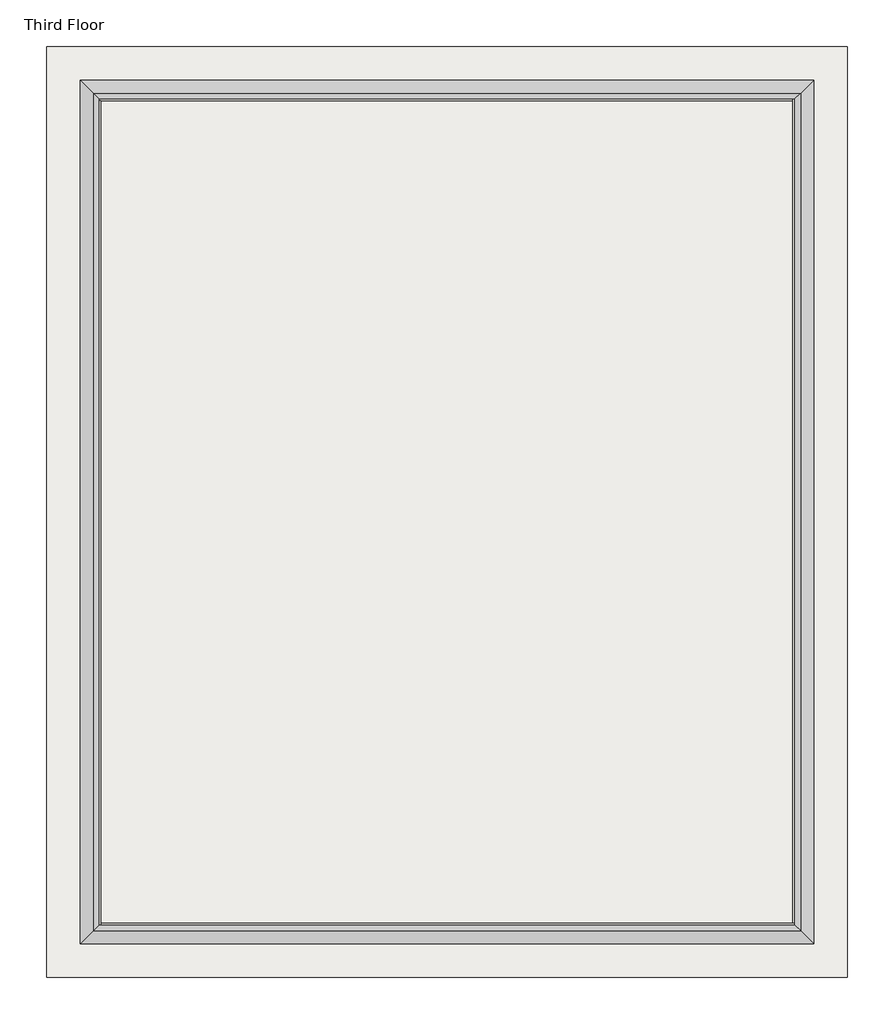
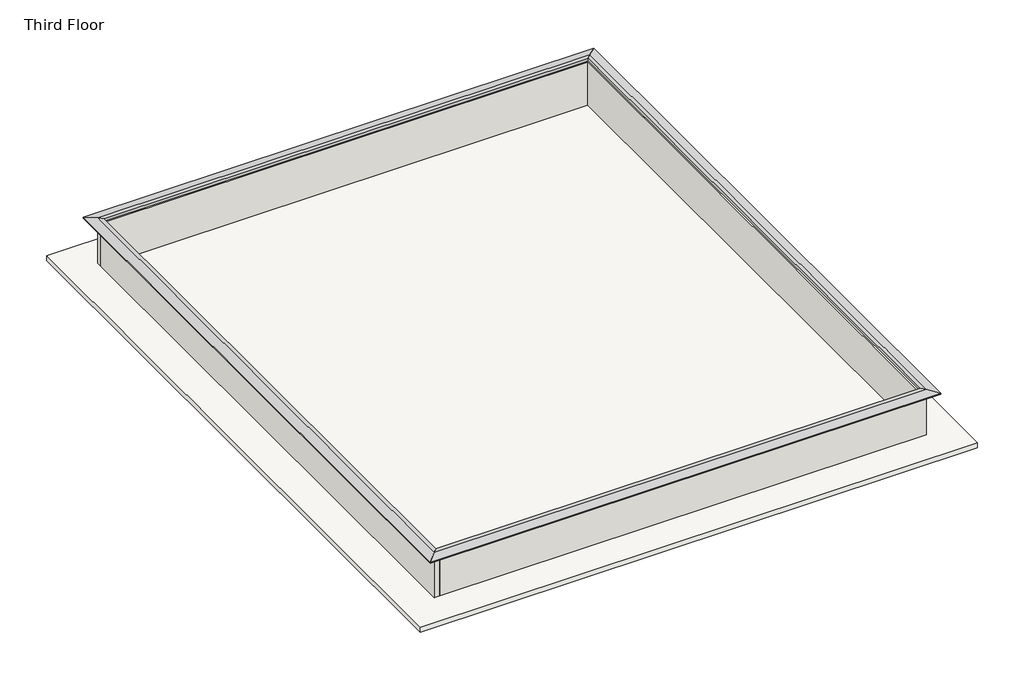
# One storey: 4 proxies, 4 walls, 1 slab.
"""IFC4 building model written with IfcOpenShell, lengths in millimetres."""

from ifc_helpers import new_model, si_unit, frame, origin, place, context, project, spatial, polyline, outline, extrude, faceted_brep, element, save

model = new_model("IFC4")

# Units and contexts
model_context = context("Model", 3, world=origin())
ifc_project = project(units=[si_unit("LENGTHUNIT", "METRE", prefix="MILLI")], contexts=[model_context])

# Site, building, storey
site = spatial("IfcSite", under=ifc_project)
building = spatial("IfcBuilding", under=site)
storey = spatial("IfcBuildingStorey", under=building, Name="Third Floor", Elevation=8610.6)

# Proxies
placement = place(None, origin())
element("IfcBuildingElementProxy", 1, Name="Wall Sweeps", at=placement, inside=storey, context=model_context, shape_type="Brep", body=[
    faceted_brep([(3101.8159002, -1567.6864294, 9747.25), (3009.7409002, -1475.6114294, 9747.25), (2797.0159002, -1262.8864294, 9702.8), (2797.0159002, -1262.8864294, 9677.4), (3101.8159002, -1567.6864294, 9677.4), (14500.0659002, -1567.6864294, 9747.25), (14500.0659002, -1567.6864294, 9677.4), (14804.8659002, -1262.8864294, 9677.4), (14804.8659002, -1262.8864294, 9702.8), (14592.1409002, -1475.6114294, 9747.25)], [[[0, 1, 2, 3, 4]], [[5, 6, 7, 8, 9]], [[1, 0, 5, 9]], [[2, 1, 9, 8]], [[3, 2, 8, 7]], [[4, 3, 7, 6]], [[0, 4, 6, 5]]]),
])
element("IfcBuildingElementProxy", 2, Name="Wall Sweeps", at=placement, inside=storey, context=model_context, shape_type="Brep", body=[
    faceted_brep([(3101.8159002, -15099.5364294, 9747.25), (3009.7409002, -15191.6114294, 9747.25), (2797.0159002, -15404.3364294, 9702.8), (2797.0159002, -15404.3364294, 9677.4), (3101.8159002, -15099.5364294, 9677.4), (3101.8159002, -1567.6864294, 9747.25), (3101.8159002, -1567.6864294, 9677.4), (2797.0159002, -1262.8864294, 9677.4), (2797.0159002, -1262.8864294, 9702.8), (3009.7409002, -1475.6114294, 9747.25)], [[[0, 1, 2, 3, 4]], [[5, 6, 7, 8, 9]], [[1, 0, 5, 9]], [[2, 1, 9, 8]], [[3, 2, 8, 7]], [[4, 3, 7, 6]], [[0, 4, 6, 5]]]),
])
element("IfcBuildingElementProxy", 3, Name="Wall Sweeps", at=placement, inside=storey, context=model_context, shape_type="Brep", body=[
    faceted_brep([(14500.0659002, -15099.5364294, 9747.25), (14592.1409002, -15191.6114294, 9747.25), (14804.8659002, -15404.3364294, 9702.8), (14804.8659002, -15404.3364294, 9677.4), (14500.0659002, -15099.5364294, 9677.4), (3101.8159002, -15099.5364294, 9747.25), (3101.8159002, -15099.5364294, 9677.4), (2797.0159002, -15404.3364294, 9677.4), (2797.0159002, -15404.3364294, 9702.8), (3009.7409002, -15191.6114294, 9747.25)], [[[0, 1, 2, 3, 4]], [[5, 6, 7, 8, 9]], [[1, 0, 5, 9]], [[2, 1, 9, 8]], [[3, 2, 8, 7]], [[4, 3, 7, 6]], [[0, 4, 6, 5]]]),
])
element("IfcBuildingElementProxy", 4, Name="Wall Sweeps", at=placement, inside=storey, context=model_context, shape_type="Brep", body=[
    faceted_brep([(14500.0659002, -1567.6864294, 9747.25), (14592.1409002, -1475.6114294, 9747.25), (14804.8659002, -1262.8864294, 9702.8), (14804.8659002, -1262.8864294, 9677.4), (14500.0659002, -1567.6864294, 9677.4), (14500.0659002, -15099.5364294, 9747.25), (14500.0659002, -15099.5364294, 9677.4), (14804.8659002, -15404.3364294, 9677.4), (14804.8659002, -15404.3364294, 9702.8), (14592.1409002, -15191.6114294, 9747.25)], [[[0, 1, 2, 3, 4]], [[5, 6, 7, 8, 9]], [[1, 0, 5, 9]], [[2, 1, 9, 8]], [[3, 2, 8, 7]], [[4, 3, 7, 6]], [[0, 4, 6, 5]]]),
])

# Slab
element("IfcSlab", 5, ObjectType="5\" Slab", at=placement, inside=storey, context=model_context, shape_type="SweptSolid", body=[
    extrude(outline(polyline([(15354.1409002, -713.6114294), (15354.1409002, -15953.6114294), (2247.7409002, -15953.6114294), (2247.7409002, -713.6114294), (15354.1409002, -713.6114294)])), frame((0.0, 0.0, 8483.6), z_axis=(0.0, 0.0, 1.0), x_axis=(1.0, 0.0, 0.0)), (0.0, 0.0, 1.0), 127.0),
])

# Walls
element("IfcWall", 6, ObjectType="Parapet Wall", at=placement, inside=storey, context=model_context, shape_type="Brep", body=[
    faceted_brep([(3009.7409002, -1602.6114294, 8610.6), (3136.7409002, -1602.6114294, 8610.6), (14465.1409002, -1602.6114294, 8610.6), (14465.1409002, -1602.6114294, 9677.4), (3136.7409002, -1602.6114294, 9677.4), (3009.7409002, -1602.6114294, 9677.4), (3009.7409002, -1475.6114294, 8610.6), (3009.7409002, -1475.6114294, 9677.4), (14465.1409002, -1475.6114294, 9677.4), (14465.1409002, -1475.6114294, 8610.6)], [[[0, 1, 2, 3, 4, 5]], [[6, 7, 8, 9]], [[2, 1, 0, 6, 9]], [[5, 4, 3, 8, 7]], [[0, 5, 7, 6]], [[3, 2, 9, 8]]]),
])
element("IfcWall", 7, ObjectType="Parapet Wall", at=placement, inside=storey, context=model_context, shape_type="Brep", body=[
    faceted_brep([(3136.7409002, -15191.6114294, 8610.6), (3136.7409002, -15064.6114294, 8610.6), (3136.7409002, -1602.6114294, 8610.6), (3136.7409002, -1602.6114294, 9677.4), (3136.7409002, -15064.6114294, 9677.4), (3136.7409002, -15191.6114294, 9677.4), (3009.7409002, -15191.6114294, 8610.6), (3009.7409002, -15191.6114294, 9677.4), (3009.7409002, -1602.6114294, 9677.4), (3009.7409002, -1602.6114294, 8610.6)], [[[0, 1, 2, 3, 4, 5]], [[6, 7, 8, 9]], [[2, 1, 0, 6, 9]], [[5, 4, 3, 8, 7]], [[0, 5, 7, 6]], [[3, 2, 9, 8]]]),
])
element("IfcWall", 8, ObjectType="Parapet Wall", at=placement, inside=storey, context=model_context, shape_type="Brep", body=[
    faceted_brep([(14592.1409002, -15064.6114294, 8610.6), (14465.1409002, -15064.6114294, 8610.6), (3136.7409002, -15064.6114294, 8610.6), (3136.7409002, -15064.6114294, 9677.4), (14465.1409002, -15064.6114294, 9677.4), (14592.1409002, -15064.6114294, 9677.4), (14592.1409002, -15191.6114294, 8610.6), (14592.1409002, -15191.6114294, 9677.4), (3136.7409002, -15191.6114294, 9677.4), (3136.7409002, -15191.6114294, 8610.6)], [[[0, 1, 2, 3, 4, 5]], [[6, 7, 8, 9]], [[2, 1, 0, 6, 9]], [[5, 4, 3, 8, 7]], [[0, 5, 7, 6]], [[3, 2, 9, 8]]]),
])
element("IfcWall", 9, ObjectType="Parapet Wall", at=placement, inside=storey, context=model_context, shape_type="Brep", body=[
    faceted_brep([(14465.1409002, -1475.6114294, 8610.6), (14465.1409002, -1602.6114294, 8610.6), (14465.1409002, -15064.6114294, 8610.6), (14465.1409002, -15064.6114294, 9677.4), (14465.1409002, -1602.6114294, 9677.4), (14465.1409002, -1475.6114294, 9677.4), (14592.1409002, -1475.6114294, 8610.6), (14592.1409002, -1475.6114294, 9677.4), (14592.1409002, -15064.6114294, 9677.4), (14592.1409002, -15064.6114294, 8610.6)], [[[0, 1, 2, 3, 4, 5]], [[6, 7, 8, 9]], [[2, 1, 0, 6, 9]], [[5, 4, 3, 8, 7]], [[0, 5, 7, 6]], [[3, 2, 9, 8]]]),
])

save(model, "model.ifc")
